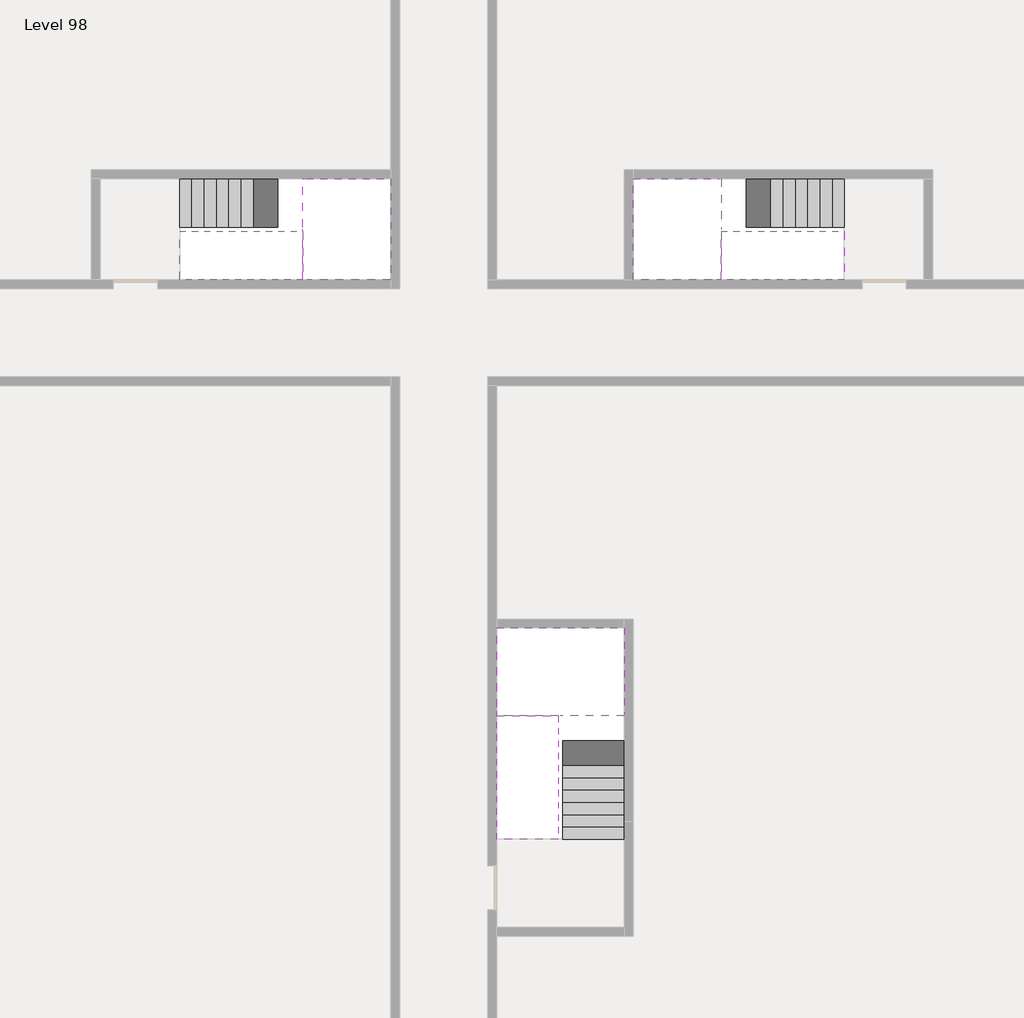
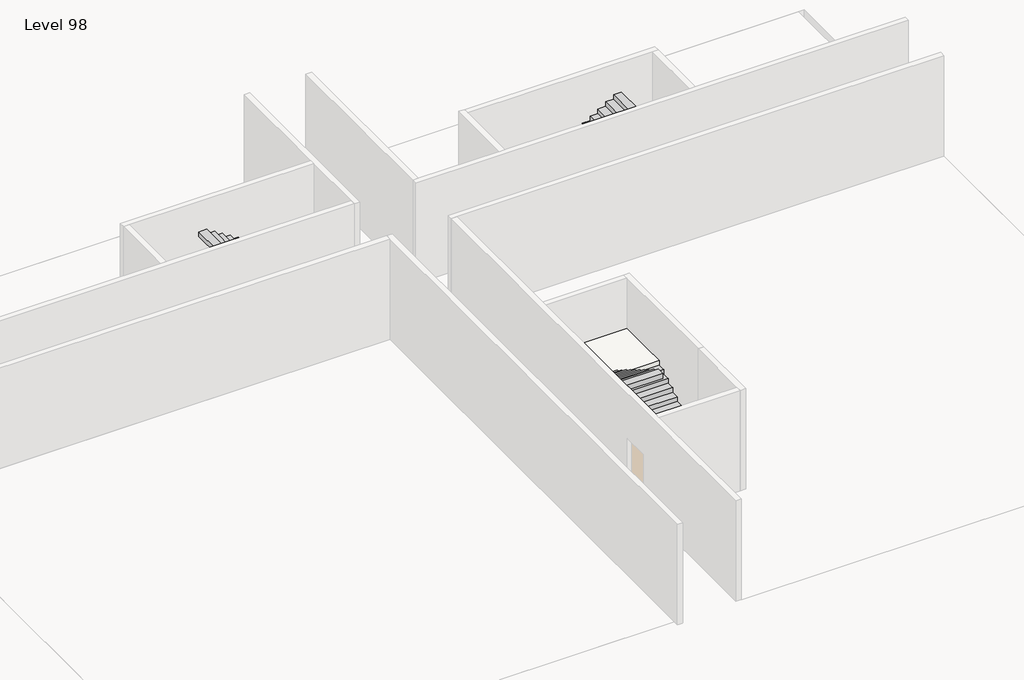
# One storey, part 2 of 2: 6 stair flights, 3 slabs.
"""IFC4 building model written with IfcOpenShell, lengths in millimetres."""

from ifc_helpers import new_model, si_unit, origin, place, context, project, spatial, faceted_brep, element, save

model = new_model("IFC4")

# Units and contexts
model_context = context("Model", 3, world=origin())
ifc_project = project(units=[si_unit("LENGTHUNIT", "METRE", prefix="MILLI")], contexts=[model_context])

# Site, building, storey
site = spatial("IfcSite", under=ifc_project)
building = spatial("IfcBuilding", under=site)
storey = spatial("IfcBuildingStorey", under=building, Name="Level 98", Elevation=368600.0)

# Slabs
placement = place(None, origin())
element("IfcSlab", 1, at=placement, inside=storey, context=model_context, shape_type="Brep", body=[
    faceted_brep([(26890.1058784, -40418.09644, 370500.0), (28290.1058784, -40418.09644, 370500.0), (28290.1058784, -40338.7100038, 370500.0), (28290.1058784, -38418.09644, 370500.0), (25390.1058784, -38418.09644, 370500.0), (25390.1058784, -40217.4828763, 370500.0), (25390.1058784, -40418.09644, 370500.0), (26790.1058784, -40418.09644, 370500.0), (26890.1058784, -40418.09644, 370200.0), (26890.1058784, -40418.09644, 370151.0278478), (28290.1058784, -40418.09644, 370151.0278478), (28290.1058784, -40418.09644, 370327.2727273), (28290.1058784, -40338.7100038, 370200.0), (28290.1058784, -38418.09644, 370200.0), (25390.1058784, -38418.09644, 370200.0), (25390.1058784, -40217.4828763, 370200.0), (25390.1058784, -40418.09644, 370323.7551205), (26790.1058784, -40418.09644, 370323.7551205), (26790.1058784, -40418.09644, 370200.0), (26790.1058784, -40217.4828763, 370200.0), (26890.1058784, -40338.7100038, 370200.0)], [[[0, 1, 2, 3, 4, 5, 6, 7]], [[1, 0, 8, 9, 10, 11]], [[1, 11, 10, 12, 13, 3, 2]], [[4, 3, 13, 14]], [[4, 14, 15, 16, 6, 5]], [[7, 6, 16, 17]], [[0, 7, 17, 18, 8]], [[18, 19, 15, 14, 13, 12, 20, 8]], [[19, 18, 17]], [[20, 12, 10, 9]], [[8, 20, 9]], [[15, 19, 17, 16]]]),
])
element("IfcSlab", 2, at=placement, inside=storey, context=model_context, shape_type="Brep", body=[
    faceted_brep([(20990.1058784, -28218.09644, 370500.0), (20990.1058784, -29318.09644, 370500.0), (20990.1058784, -29418.09644, 370500.0), (20990.1058784, -30518.09644, 370500.0), (21190.7194421, -30518.09644, 370500.0), (22990.1058784, -30518.09644, 370500.0), (22990.1058784, -28218.09644, 370500.0), (21069.4923146, -28218.09644, 370500.0), (20990.1058784, -28218.09644, 370327.2727273), (20990.1058784, -28218.09644, 370151.0278478), (20990.1058784, -29318.09644, 370151.0278478), (20990.1058784, -29318.09644, 370200.0), (20990.1058784, -29418.09644, 370200.0), (20990.1058784, -29418.09644, 370323.7551205), (20990.1058784, -30518.09644, 370323.7551205), (21190.7194421, -30518.09644, 370200.0), (22990.1058784, -30518.09644, 370200.0), (22990.1058784, -28218.09644, 370200.0), (21069.4923146, -28218.09644, 370200.0), (21190.7194421, -29418.09644, 370200.0), (21069.4923146, -29318.09644, 370200.0)], [[[0, 1, 2, 3, 4, 5, 6, 7]], [[1, 0, 8, 9, 10, 11]], [[2, 1, 11, 12, 13]], [[3, 2, 13, 14]], [[3, 14, 15, 16, 5, 4]], [[6, 5, 16, 17]], [[9, 8, 0, 7, 6, 17, 18]], [[19, 12, 11, 20, 18, 17, 16, 15]], [[12, 19, 13]], [[18, 20, 10, 9]], [[20, 11, 10]], [[19, 15, 14, 13]]]),
])
element("IfcSlab", 3, at=placement, inside=storey, context=model_context, shape_type="Brep", body=[
    faceted_brep([(30490.1058784, -29318.09644, 370500.0), (30490.1058784, -28218.09644, 370500.0), (30410.7194421, -28218.09644, 370500.0), (28490.1058784, -28218.09644, 370500.0), (28490.1058784, -30518.09644, 370500.0), (30289.4923146, -30518.09644, 370500.0), (30490.1058784, -30518.09644, 370500.0), (30490.1058784, -29418.09644, 370500.0), (30490.1058784, -29318.09644, 370200.0), (30490.1058784, -29318.09644, 370151.0278478), (30490.1058784, -28218.09644, 370151.0278478), (30490.1058784, -28218.09644, 370327.2727273), (30490.1058784, -29418.09644, 370323.7551205), (30490.1058784, -29418.09644, 370200.0), (30490.1058784, -30518.09644, 370323.7551205), (28490.1058784, -30518.09644, 370200.0), (30289.4923146, -30518.09644, 370200.0), (28490.1058784, -28218.09644, 370200.0), (30410.7194421, -28218.09644, 370200.0), (30289.4923146, -29418.09644, 370200.0), (30410.7194421, -29318.09644, 370200.0)], [[[0, 1, 2, 3, 4, 5, 6, 7]], [[1, 0, 8, 9, 10, 11]], [[0, 7, 12, 13, 8]], [[7, 6, 14, 12]], [[4, 15, 16, 14, 6, 5]], [[4, 3, 17, 15]], [[1, 11, 10, 18, 17, 3, 2]], [[13, 19, 16, 15, 17, 18, 20, 8]], [[20, 18, 10, 9]], [[8, 20, 9]], [[16, 19, 12, 14]], [[19, 13, 12]]]),
])

# Stair flights
element("IfcStairFlight", 4, at=placement, inside=storey, context=model_context, shape_type="Brep", body=[
    faceted_brep([(26890.1058784, -42938.09644, 368772.7272727), (26890.1058784, -43218.09644, 368772.7272727), (28290.1058784, -43218.09644, 368772.7272727), (28290.1058784, -42938.09644, 368772.7272727), (26890.1058784, -42938.09644, 368600.0), (26890.1058784, -43218.09644, 368600.0), (28290.1058784, -43218.09644, 368600.0), (28290.1058784, -42938.09644, 368600.0), (26890.1058784, -42658.09644, 368945.4545455), (26890.1058784, -42938.09644, 368945.4545455), (28290.1058784, -42938.09644, 368945.4545455), (28290.1058784, -42658.09644, 368945.4545455), (26890.1058784, -42658.09644, 368769.209666), (26890.1058784, -42932.3942143, 368600.0), (28290.1058784, -42932.3942143, 368600.0), (28290.1058784, -42658.09644, 368769.209666), (26890.1058784, -42378.09644, 369118.1818182), (26890.1058784, -42658.09644, 369118.1818182), (28290.1058784, -42658.09644, 369118.1818182), (28290.1058784, -42378.09644, 369118.1818182), (26890.1058784, -42378.09644, 368941.9369387), (28290.1058784, -42378.09644, 368941.9369387), (26890.1058784, -42098.09644, 369290.9090909), (26890.1058784, -42378.09644, 369290.9090909), (28290.1058784, -42378.09644, 369290.9090909), (28290.1058784, -42098.09644, 369290.9090909), (26890.1058784, -42098.09644, 369114.6642114), (28290.1058784, -42098.09644, 369114.6642114), (26890.1058784, -41818.09644, 369463.6363636), (26890.1058784, -42098.09644, 369463.6363636), (28290.1058784, -42098.09644, 369463.6363636), (28290.1058784, -41818.09644, 369463.6363636), (26890.1058784, -41818.09644, 369287.3914841), (28290.1058784, -41818.09644, 369287.3914841), (26890.1058784, -41538.09644, 369636.3636364), (26890.1058784, -41818.09644, 369636.3636364), (28290.1058784, -41818.09644, 369636.3636364), (28290.1058784, -41538.09644, 369636.3636364), (26890.1058784, -41538.09644, 369460.1187569), (28290.1058784, -41538.09644, 369460.1187569), (26890.1058784, -41258.09644, 369809.0909091), (26890.1058784, -41538.09644, 369809.0909091), (28290.1058784, -41538.09644, 369809.0909091), (28290.1058784, -41258.09644, 369809.0909091), (26890.1058784, -41258.09644, 369632.8460296), (28290.1058784, -41258.09644, 369632.8460296), (26890.1058784, -40978.09644, 369981.8181818), (26890.1058784, -41258.09644, 369981.8181818), (28290.1058784, -41258.09644, 369981.8181818), (28290.1058784, -40978.09644, 369981.8181818), (26890.1058784, -40978.09644, 369805.5733023), (28290.1058784, -40978.09644, 369805.5733023), (26890.1058784, -40698.09644, 370154.5454545), (26890.1058784, -40978.09644, 370154.5454545), (28290.1058784, -40978.09644, 370154.5454545), (28290.1058784, -40698.09644, 370154.5454545), (26890.1058784, -40698.09644, 369978.3005751), (28290.1058784, -40698.09644, 369978.3005751), (26890.1058784, -40418.09644, 370327.2727273), (26890.1058784, -40698.09644, 370327.2727273), (28290.1058784, -40698.09644, 370327.2727273), (28290.1058784, -40418.09644, 370327.2727273), (26890.1058784, -40418.09644, 370200.0), (26890.1058784, -40418.09644, 370151.0278478), (28290.1058784, -40418.09644, 370151.0278478)], [[[0, 1, 2, 3]], [[1, 0, 4, 5]], [[2, 1, 5, 6]], [[3, 2, 6, 7]], [[8, 9, 10, 11]], [[4, 0, 9, 8, 12, 13]], [[0, 3, 10, 9]], [[3, 7, 14, 15, 11, 10]], [[16, 17, 18, 19]], [[17, 16, 20, 12, 8]], [[8, 11, 18, 17]], [[19, 18, 11, 15, 21]], [[22, 23, 24, 25]], [[23, 22, 26, 20, 16]], [[16, 19, 24, 23]], [[25, 24, 19, 21, 27]], [[28, 29, 30, 31]], [[29, 28, 32, 26, 22]], [[22, 25, 30, 29]], [[31, 30, 25, 27, 33]], [[34, 35, 36, 37]], [[35, 34, 38, 32, 28]], [[28, 31, 36, 35]], [[37, 36, 31, 33, 39]], [[40, 41, 42, 43]], [[41, 40, 44, 38, 34]], [[34, 37, 42, 41]], [[43, 42, 37, 39, 45]], [[46, 47, 48, 49]], [[47, 46, 50, 44, 40]], [[40, 43, 48, 47]], [[49, 48, 43, 45, 51]], [[52, 53, 54, 55]], [[53, 52, 56, 50, 46]], [[46, 49, 54, 53]], [[55, 54, 49, 51, 57]], [[58, 59, 60, 61]], [[59, 58, 62, 63, 56, 52]], [[52, 55, 60, 59]], [[61, 60, 55, 57, 64]], [[58, 61, 64, 63, 62]], [[5, 4, 13, 14, 7, 6]], [[14, 13, 12, 20, 26, 32, 38, 44, 50, 56, 63, 64, 57, 51, 45, 39, 33, 27, 21, 15]]]),
])
element("IfcStairFlight", 5, at=placement, inside=storey, context=model_context, shape_type="Brep", body=[
    faceted_brep([(26790.1058784, -40698.09644, 370672.7272727), (26790.1058784, -40418.09644, 370672.7272727), (25390.1058784, -40418.09644, 370672.7272727), (25390.1058784, -40698.09644, 370672.7272727), (26790.1058784, -40698.09644, 370496.4823932), (26790.1058784, -40418.09644, 370323.7551205), (25390.1058784, -40418.09644, 370323.7551205), (25390.1058784, -40418.09644, 370500.0), (25390.1058784, -40698.09644, 370496.4823932), (26790.1058784, -40978.09644, 370845.4545455), (26790.1058784, -40698.09644, 370845.4545455), (25390.1058784, -40698.09644, 370845.4545455), (25390.1058784, -40978.09644, 370845.4545455), (26790.1058784, -40978.09644, 370669.209666), (25390.1058784, -40978.09644, 370669.209666), (26790.1058784, -41258.09644, 371018.1818182), (26790.1058784, -40978.09644, 371018.1818182), (25390.1058784, -40978.09644, 371018.1818182), (25390.1058784, -41258.09644, 371018.1818182), (26790.1058784, -41258.09644, 370841.9369387), (25390.1058784, -41258.09644, 370841.9369387), (26790.1058784, -41538.09644, 371190.9090909), (26790.1058784, -41258.09644, 371190.9090909), (25390.1058784, -41258.09644, 371190.9090909), (25390.1058784, -41538.09644, 371190.9090909), (26790.1058784, -41538.09644, 371014.6642114), (25390.1058784, -41538.09644, 371014.6642114), (26790.1058784, -41818.09644, 371363.6363636), (26790.1058784, -41538.09644, 371363.6363636), (25390.1058784, -41538.09644, 371363.6363636), (25390.1058784, -41818.09644, 371363.6363636), (26790.1058784, -41818.09644, 371187.3914841), (25390.1058784, -41818.09644, 371187.3914841), (26790.1058784, -42098.09644, 371536.3636364), (26790.1058784, -41818.09644, 371536.3636364), (25390.1058784, -41818.09644, 371536.3636364), (25390.1058784, -42098.09644, 371536.3636364), (26790.1058784, -42098.09644, 371360.1187569), (25390.1058784, -42098.09644, 371360.1187569), (26790.1058784, -42378.09644, 371709.0909091), (26790.1058784, -42098.09644, 371709.0909091), (25390.1058784, -42098.09644, 371709.0909091), (25390.1058784, -42378.09644, 371709.0909091), (26790.1058784, -42378.09644, 371532.8460296), (25390.1058784, -42378.09644, 371532.8460296), (26790.1058784, -42658.09644, 371881.8181818), (26790.1058784, -42378.09644, 371881.8181818), (25390.1058784, -42378.09644, 371881.8181818), (25390.1058784, -42658.09644, 371881.8181818), (26790.1058784, -42658.09644, 371705.5733023), (25390.1058784, -42658.09644, 371705.5733023), (26790.1058784, -42938.09644, 372054.5454545), (26790.1058784, -42658.09644, 372054.5454545), (25390.1058784, -42658.09644, 372054.5454545), (25390.1058784, -42938.09644, 372054.5454545), (26790.1058784, -42938.09644, 371878.3005751), (25390.1058784, -42938.09644, 371878.3005751), (26790.1058784, -43218.09644, 372227.2727273), (26790.1058784, -42938.09644, 372227.2727273), (25390.1058784, -42938.09644, 372227.2727273), (25390.1058784, -43218.09644, 372227.2727273), (26790.1058784, -43218.09644, 372051.0278478), (25390.1058784, -43218.09644, 372051.0278478)], [[[0, 1, 2, 3]], [[1, 0, 4, 5]], [[2, 1, 5, 6, 7]], [[3, 2, 7, 6, 8]], [[9, 10, 11, 12]], [[10, 9, 13, 4, 0]], [[11, 10, 0, 3]], [[12, 11, 3, 8, 14]], [[15, 16, 17, 18]], [[16, 15, 19, 13, 9]], [[17, 16, 9, 12]], [[18, 17, 12, 14, 20]], [[21, 22, 23, 24]], [[22, 21, 25, 19, 15]], [[23, 22, 15, 18]], [[24, 23, 18, 20, 26]], [[27, 28, 29, 30]], [[28, 27, 31, 25, 21]], [[29, 28, 21, 24]], [[30, 29, 24, 26, 32]], [[33, 34, 35, 36]], [[34, 33, 37, 31, 27]], [[35, 34, 27, 30]], [[36, 35, 30, 32, 38]], [[39, 40, 41, 42]], [[40, 39, 43, 37, 33]], [[41, 40, 33, 36]], [[42, 41, 36, 38, 44]], [[45, 46, 47, 48]], [[46, 45, 49, 43, 39]], [[47, 46, 39, 42]], [[48, 47, 42, 44, 50]], [[51, 52, 53, 54]], [[52, 51, 55, 49, 45]], [[53, 52, 45, 48]], [[54, 53, 48, 50, 56]], [[57, 58, 59, 60]], [[58, 57, 61, 55, 51]], [[59, 58, 51, 54]], [[60, 59, 54, 56, 62]], [[57, 60, 62, 61]], [[5, 4, 13, 19, 25, 31, 37, 43, 49, 55, 61, 62, 56, 50, 44, 38, 32, 26, 20, 14, 8, 6]]]),
])
element("IfcStairFlight", 6, at=placement, inside=storey, context=model_context, shape_type="Brep", body=[
    faceted_brep([(18470.1058784, -28218.09644, 368772.7272727), (18190.1058784, -28218.09644, 368772.7272727), (18190.1058784, -29318.09644, 368772.7272727), (18470.1058784, -29318.09644, 368772.7272727), (18470.1058784, -28218.09644, 368600.0), (18190.1058784, -28218.09644, 368600.0), (18190.1058784, -29318.09644, 368600.0), (18470.1058784, -29318.09644, 368600.0), (18750.1058784, -28218.09644, 368945.4545455), (18470.1058784, -28218.09644, 368945.4545455), (18470.1058784, -29318.09644, 368945.4545455), (18750.1058784, -29318.09644, 368945.4545455), (18750.1058784, -28218.09644, 368769.209666), (18475.8081041, -28218.09644, 368600.0), (18475.8081041, -29318.09644, 368600.0), (18750.1058784, -29318.09644, 368769.209666), (19030.1058784, -28218.09644, 369118.1818182), (18750.1058784, -28218.09644, 369118.1818182), (18750.1058784, -29318.09644, 369118.1818182), (19030.1058784, -29318.09644, 369118.1818182), (19030.1058784, -28218.09644, 368941.9369387), (19030.1058784, -29318.09644, 368941.9369387), (19310.1058784, -28218.09644, 369290.9090909), (19030.1058784, -28218.09644, 369290.9090909), (19030.1058784, -29318.09644, 369290.9090909), (19310.1058784, -29318.09644, 369290.9090909), (19310.1058784, -28218.09644, 369114.6642114), (19310.1058784, -29318.09644, 369114.6642114), (19590.1058784, -28218.09644, 369463.6363636), (19310.1058784, -28218.09644, 369463.6363636), (19310.1058784, -29318.09644, 369463.6363636), (19590.1058784, -29318.09644, 369463.6363636), (19590.1058784, -28218.09644, 369287.3914841), (19590.1058784, -29318.09644, 369287.3914841), (19870.1058784, -28218.09644, 369636.3636364), (19590.1058784, -28218.09644, 369636.3636364), (19590.1058784, -29318.09644, 369636.3636364), (19870.1058784, -29318.09644, 369636.3636364), (19870.1058784, -28218.09644, 369460.1187569), (19870.1058784, -29318.09644, 369460.1187569), (20150.1058784, -28218.09644, 369809.0909091), (19870.1058784, -28218.09644, 369809.0909091), (19870.1058784, -29318.09644, 369809.0909091), (20150.1058784, -29318.09644, 369809.0909091), (20150.1058784, -28218.09644, 369632.8460296), (20150.1058784, -29318.09644, 369632.8460296), (20430.1058784, -28218.09644, 369981.8181818), (20150.1058784, -28218.09644, 369981.8181818), (20150.1058784, -29318.09644, 369981.8181818), (20430.1058784, -29318.09644, 369981.8181818), (20430.1058784, -28218.09644, 369805.5733023), (20430.1058784, -29318.09644, 369805.5733023), (20710.1058784, -28218.09644, 370154.5454545), (20430.1058784, -28218.09644, 370154.5454545), (20430.1058784, -29318.09644, 370154.5454545), (20710.1058784, -29318.09644, 370154.5454545), (20710.1058784, -28218.09644, 369978.3005751), (20710.1058784, -29318.09644, 369978.3005751), (20990.1058784, -28218.09644, 370327.2727273), (20710.1058784, -28218.09644, 370327.2727273), (20710.1058784, -29318.09644, 370327.2727273), (20990.1058784, -29318.09644, 370327.2727273), (20990.1058784, -28218.09644, 370151.0278478), (20990.1058784, -29318.09644, 370151.0278478), (20990.1058784, -29318.09644, 370200.0)], [[[0, 1, 2, 3]], [[1, 0, 4, 5]], [[2, 1, 5, 6]], [[3, 2, 6, 7]], [[8, 9, 10, 11]], [[4, 0, 9, 8, 12, 13]], [[0, 3, 10, 9]], [[3, 7, 14, 15, 11, 10]], [[16, 17, 18, 19]], [[17, 16, 20, 12, 8]], [[8, 11, 18, 17]], [[19, 18, 11, 15, 21]], [[22, 23, 24, 25]], [[23, 22, 26, 20, 16]], [[16, 19, 24, 23]], [[25, 24, 19, 21, 27]], [[28, 29, 30, 31]], [[29, 28, 32, 26, 22]], [[22, 25, 30, 29]], [[31, 30, 25, 27, 33]], [[34, 35, 36, 37]], [[35, 34, 38, 32, 28]], [[28, 31, 36, 35]], [[37, 36, 31, 33, 39]], [[40, 41, 42, 43]], [[41, 40, 44, 38, 34]], [[34, 37, 42, 41]], [[43, 42, 37, 39, 45]], [[46, 47, 48, 49]], [[47, 46, 50, 44, 40]], [[40, 43, 48, 47]], [[49, 48, 43, 45, 51]], [[52, 53, 54, 55]], [[53, 52, 56, 50, 46]], [[46, 49, 54, 53]], [[55, 54, 49, 51, 57]], [[58, 59, 60, 61]], [[59, 58, 62, 56, 52]], [[52, 55, 60, 59]], [[61, 60, 55, 57, 63, 64]], [[58, 61, 64, 63, 62]], [[5, 4, 13, 14, 7, 6]], [[14, 13, 12, 20, 26, 32, 38, 44, 50, 56, 62, 63, 57, 51, 45, 39, 33, 27, 21, 15]]]),
])
element("IfcStairFlight", 7, at=placement, inside=storey, context=model_context, shape_type="Brep", body=[
    faceted_brep([(20710.1058784, -30518.09644, 370672.7272727), (20990.1058784, -30518.09644, 370672.7272727), (20990.1058784, -29418.09644, 370672.7272727), (20710.1058784, -29418.09644, 370672.7272727), (20710.1058784, -30518.09644, 370496.4823932), (20990.1058784, -30518.09644, 370323.7551205), (20990.1058784, -30518.09644, 370500.0), (20990.1058784, -29418.09644, 370323.7551205), (20710.1058784, -29418.09644, 370496.4823932), (20430.1058784, -30518.09644, 370845.4545455), (20710.1058784, -30518.09644, 370845.4545455), (20710.1058784, -29418.09644, 370845.4545455), (20430.1058784, -29418.09644, 370845.4545455), (20430.1058784, -30518.09644, 370669.209666), (20430.1058784, -29418.09644, 370669.209666), (20150.1058784, -30518.09644, 371018.1818182), (20430.1058784, -30518.09644, 371018.1818182), (20430.1058784, -29418.09644, 371018.1818182), (20150.1058784, -29418.09644, 371018.1818182), (20150.1058784, -30518.09644, 370841.9369387), (20150.1058784, -29418.09644, 370841.9369387), (19870.1058784, -30518.09644, 371190.9090909), (20150.1058784, -30518.09644, 371190.9090909), (20150.1058784, -29418.09644, 371190.9090909), (19870.1058784, -29418.09644, 371190.9090909), (19870.1058784, -30518.09644, 371014.6642114), (19870.1058784, -29418.09644, 371014.6642114), (19590.1058784, -30518.09644, 371363.6363636), (19870.1058784, -30518.09644, 371363.6363636), (19870.1058784, -29418.09644, 371363.6363636), (19590.1058784, -29418.09644, 371363.6363636), (19590.1058784, -30518.09644, 371187.3914841), (19590.1058784, -29418.09644, 371187.3914841), (19310.1058784, -30518.09644, 371536.3636364), (19590.1058784, -30518.09644, 371536.3636364), (19590.1058784, -29418.09644, 371536.3636364), (19310.1058784, -29418.09644, 371536.3636364), (19310.1058784, -30518.09644, 371360.1187569), (19310.1058784, -29418.09644, 371360.1187569), (19030.1058784, -30518.09644, 371709.0909091), (19310.1058784, -30518.09644, 371709.0909091), (19310.1058784, -29418.09644, 371709.0909091), (19030.1058784, -29418.09644, 371709.0909091), (19030.1058784, -30518.09644, 371532.8460296), (19030.1058784, -29418.09644, 371532.8460296), (18750.1058784, -30518.09644, 371881.8181818), (19030.1058784, -30518.09644, 371881.8181818), (19030.1058784, -29418.09644, 371881.8181818), (18750.1058784, -29418.09644, 371881.8181818), (18750.1058784, -30518.09644, 371705.5733023), (18750.1058784, -29418.09644, 371705.5733023), (18470.1058784, -30518.09644, 372054.5454545), (18750.1058784, -30518.09644, 372054.5454545), (18750.1058784, -29418.09644, 372054.5454545), (18470.1058784, -29418.09644, 372054.5454545), (18470.1058784, -30518.09644, 371878.3005751), (18470.1058784, -29418.09644, 371878.3005751), (18190.1058784, -30518.09644, 372227.2727273), (18470.1058784, -30518.09644, 372227.2727273), (18470.1058784, -29418.09644, 372227.2727273), (18190.1058784, -29418.09644, 372227.2727273), (18190.1058784, -30518.09644, 372051.0278478), (18190.1058784, -29418.09644, 372051.0278478)], [[[0, 1, 2, 3]], [[1, 0, 4, 5, 6]], [[2, 1, 6, 5, 7]], [[3, 2, 7, 8]], [[9, 10, 11, 12]], [[10, 9, 13, 4, 0]], [[11, 10, 0, 3]], [[12, 11, 3, 8, 14]], [[15, 16, 17, 18]], [[16, 15, 19, 13, 9]], [[17, 16, 9, 12]], [[18, 17, 12, 14, 20]], [[21, 22, 23, 24]], [[22, 21, 25, 19, 15]], [[23, 22, 15, 18]], [[24, 23, 18, 20, 26]], [[27, 28, 29, 30]], [[28, 27, 31, 25, 21]], [[29, 28, 21, 24]], [[30, 29, 24, 26, 32]], [[33, 34, 35, 36]], [[34, 33, 37, 31, 27]], [[35, 34, 27, 30]], [[36, 35, 30, 32, 38]], [[39, 40, 41, 42]], [[40, 39, 43, 37, 33]], [[41, 40, 33, 36]], [[42, 41, 36, 38, 44]], [[45, 46, 47, 48]], [[46, 45, 49, 43, 39]], [[47, 46, 39, 42]], [[48, 47, 42, 44, 50]], [[51, 52, 53, 54]], [[52, 51, 55, 49, 45]], [[53, 52, 45, 48]], [[54, 53, 48, 50, 56]], [[57, 58, 59, 60]], [[58, 57, 61, 55, 51]], [[59, 58, 51, 54]], [[60, 59, 54, 56, 62]], [[57, 60, 62, 61]], [[5, 4, 13, 19, 25, 31, 37, 43, 49, 55, 61, 62, 56, 50, 44, 38, 32, 26, 20, 14, 8, 7]]]),
])
element("IfcStairFlight", 8, at=placement, inside=storey, context=model_context, shape_type="Brep", body=[
    faceted_brep([(33010.1058784, -29318.09644, 368772.7272727), (33290.1058784, -29318.09644, 368772.7272727), (33290.1058784, -28218.09644, 368772.7272727), (33010.1058784, -28218.09644, 368772.7272727), (33290.1058784, -28218.09644, 368600.0), (33010.1058784, -28218.09644, 368600.0), (33290.1058784, -29318.09644, 368600.0), (33010.1058784, -29318.09644, 368600.0), (32730.1058784, -29318.09644, 368945.4545455), (33010.1058784, -29318.09644, 368945.4545455), (33010.1058784, -28218.09644, 368945.4545455), (32730.1058784, -28218.09644, 368945.4545455), (33004.4036527, -28218.09644, 368600.0), (32730.1058784, -28218.09644, 368769.209666), (32730.1058784, -29318.09644, 368769.209666), (33004.4036527, -29318.09644, 368600.0), (32450.1058784, -29318.09644, 369118.1818182), (32730.1058784, -29318.09644, 369118.1818182), (32730.1058784, -28218.09644, 369118.1818182), (32450.1058784, -28218.09644, 369118.1818182), (32450.1058784, -28218.09644, 368941.9369387), (32450.1058784, -29318.09644, 368941.9369387), (32170.1058784, -29318.09644, 369290.9090909), (32450.1058784, -29318.09644, 369290.9090909), (32450.1058784, -28218.09644, 369290.9090909), (32170.1058784, -28218.09644, 369290.9090909), (32170.1058784, -28218.09644, 369114.6642114), (32170.1058784, -29318.09644, 369114.6642114), (31890.1058784, -29318.09644, 369463.6363636), (32170.1058784, -29318.09644, 369463.6363636), (32170.1058784, -28218.09644, 369463.6363636), (31890.1058784, -28218.09644, 369463.6363636), (31890.1058784, -28218.09644, 369287.3914841), (31890.1058784, -29318.09644, 369287.3914841), (31610.1058784, -29318.09644, 369636.3636364), (31890.1058784, -29318.09644, 369636.3636364), (31890.1058784, -28218.09644, 369636.3636364), (31610.1058784, -28218.09644, 369636.3636364), (31610.1058784, -28218.09644, 369460.1187569), (31610.1058784, -29318.09644, 369460.1187569), (31330.1058784, -29318.09644, 369809.0909091), (31610.1058784, -29318.09644, 369809.0909091), (31610.1058784, -28218.09644, 369809.0909091), (31330.1058784, -28218.09644, 369809.0909091), (31330.1058784, -28218.09644, 369632.8460296), (31330.1058784, -29318.09644, 369632.8460296), (31050.1058784, -29318.09644, 369981.8181818), (31330.1058784, -29318.09644, 369981.8181818), (31330.1058784, -28218.09644, 369981.8181818), (31050.1058784, -28218.09644, 369981.8181818), (31050.1058784, -28218.09644, 369805.5733023), (31050.1058784, -29318.09644, 369805.5733023), (30770.1058784, -29318.09644, 370154.5454545), (31050.1058784, -29318.09644, 370154.5454545), (31050.1058784, -28218.09644, 370154.5454545), (30770.1058784, -28218.09644, 370154.5454545), (30770.1058784, -28218.09644, 369978.3005751), (30770.1058784, -29318.09644, 369978.3005751), (30490.1058784, -29318.09644, 370327.2727273), (30770.1058784, -29318.09644, 370327.2727273), (30770.1058784, -28218.09644, 370327.2727273), (30490.1058784, -28218.09644, 370327.2727273), (30490.1058784, -28218.09644, 370151.0278478), (30490.1058784, -29318.09644, 370200.0), (30490.1058784, -29318.09644, 370151.0278478)], [[[0, 1, 2, 3]], [[3, 2, 4, 5]], [[2, 1, 6, 4]], [[1, 0, 7, 6]], [[8, 9, 10, 11]], [[3, 5, 12, 13, 11, 10]], [[0, 3, 10, 9]], [[7, 0, 9, 8, 14, 15]], [[16, 17, 18, 19]], [[19, 18, 11, 13, 20]], [[8, 11, 18, 17]], [[17, 16, 21, 14, 8]], [[22, 23, 24, 25]], [[25, 24, 19, 20, 26]], [[16, 19, 24, 23]], [[23, 22, 27, 21, 16]], [[28, 29, 30, 31]], [[31, 30, 25, 26, 32]], [[22, 25, 30, 29]], [[29, 28, 33, 27, 22]], [[34, 35, 36, 37]], [[37, 36, 31, 32, 38]], [[28, 31, 36, 35]], [[35, 34, 39, 33, 28]], [[40, 41, 42, 43]], [[43, 42, 37, 38, 44]], [[34, 37, 42, 41]], [[41, 40, 45, 39, 34]], [[46, 47, 48, 49]], [[49, 48, 43, 44, 50]], [[40, 43, 48, 47]], [[47, 46, 51, 45, 40]], [[52, 53, 54, 55]], [[55, 54, 49, 50, 56]], [[46, 49, 54, 53]], [[53, 52, 57, 51, 46]], [[58, 59, 60, 61]], [[61, 60, 55, 56, 62]], [[52, 55, 60, 59]], [[59, 58, 63, 64, 57, 52]], [[58, 61, 62, 64, 63]], [[6, 7, 15, 12, 5, 4]], [[12, 15, 14, 21, 27, 33, 39, 45, 51, 57, 64, 62, 56, 50, 44, 38, 32, 26, 20, 13]]]),
])
element("IfcStairFlight", 9, at=placement, inside=storey, context=model_context, shape_type="Brep", body=[
    faceted_brep([(30770.1058784, -29418.09644, 370672.7272727), (30490.1058784, -29418.09644, 370672.7272727), (30490.1058784, -30518.09644, 370672.7272727), (30770.1058784, -30518.09644, 370672.7272727), (30490.1058784, -30518.09644, 370500.0), (30490.1058784, -30518.09644, 370323.7551205), (30770.1058784, -30518.09644, 370496.4823932), (30490.1058784, -29418.09644, 370323.7551205), (30770.1058784, -29418.09644, 370496.4823932), (31050.1058784, -29418.09644, 370845.4545455), (30770.1058784, -29418.09644, 370845.4545455), (30770.1058784, -30518.09644, 370845.4545455), (31050.1058784, -30518.09644, 370845.4545455), (31050.1058784, -30518.09644, 370669.209666), (31050.1058784, -29418.09644, 370669.209666), (31330.1058784, -29418.09644, 371018.1818182), (31050.1058784, -29418.09644, 371018.1818182), (31050.1058784, -30518.09644, 371018.1818182), (31330.1058784, -30518.09644, 371018.1818182), (31330.1058784, -30518.09644, 370841.9369387), (31330.1058784, -29418.09644, 370841.9369387), (31610.1058784, -29418.09644, 371190.9090909), (31330.1058784, -29418.09644, 371190.9090909), (31330.1058784, -30518.09644, 371190.9090909), (31610.1058784, -30518.09644, 371190.9090909), (31610.1058784, -30518.09644, 371014.6642114), (31610.1058784, -29418.09644, 371014.6642114), (31890.1058784, -29418.09644, 371363.6363636), (31610.1058784, -29418.09644, 371363.6363636), (31610.1058784, -30518.09644, 371363.6363636), (31890.1058784, -30518.09644, 371363.6363636), (31890.1058784, -30518.09644, 371187.3914841), (31890.1058784, -29418.09644, 371187.3914841), (32170.1058784, -29418.09644, 371536.3636364), (31890.1058784, -29418.09644, 371536.3636364), (31890.1058784, -30518.09644, 371536.3636364), (32170.1058784, -30518.09644, 371536.3636364), (32170.1058784, -30518.09644, 371360.1187569), (32170.1058784, -29418.09644, 371360.1187569), (32450.1058784, -29418.09644, 371709.0909091), (32170.1058784, -29418.09644, 371709.0909091), (32170.1058784, -30518.09644, 371709.0909091), (32450.1058784, -30518.09644, 371709.0909091), (32450.1058784, -30518.09644, 371532.8460296), (32450.1058784, -29418.09644, 371532.8460296), (32730.1058784, -29418.09644, 371881.8181818), (32450.1058784, -29418.09644, 371881.8181818), (32450.1058784, -30518.09644, 371881.8181818), (32730.1058784, -30518.09644, 371881.8181818), (32730.1058784, -30518.09644, 371705.5733023), (32730.1058784, -29418.09644, 371705.5733023), (33010.1058784, -29418.09644, 372054.5454545), (32730.1058784, -29418.09644, 372054.5454545), (32730.1058784, -30518.09644, 372054.5454545), (33010.1058784, -30518.09644, 372054.5454545), (33010.1058784, -30518.09644, 371878.3005751), (33010.1058784, -29418.09644, 371878.3005751), (33290.1058784, -29418.09644, 372227.2727273), (33010.1058784, -29418.09644, 372227.2727273), (33010.1058784, -30518.09644, 372227.2727273), (33290.1058784, -30518.09644, 372227.2727273), (33290.1058784, -30518.09644, 372051.0278478), (33290.1058784, -29418.09644, 372051.0278478)], [[[0, 1, 2, 3]], [[3, 2, 4, 5, 6]], [[2, 1, 7, 5, 4]], [[1, 0, 8, 7]], [[9, 10, 11, 12]], [[12, 11, 3, 6, 13]], [[11, 10, 0, 3]], [[10, 9, 14, 8, 0]], [[15, 16, 17, 18]], [[18, 17, 12, 13, 19]], [[17, 16, 9, 12]], [[16, 15, 20, 14, 9]], [[21, 22, 23, 24]], [[24, 23, 18, 19, 25]], [[23, 22, 15, 18]], [[22, 21, 26, 20, 15]], [[27, 28, 29, 30]], [[30, 29, 24, 25, 31]], [[29, 28, 21, 24]], [[28, 27, 32, 26, 21]], [[33, 34, 35, 36]], [[36, 35, 30, 31, 37]], [[35, 34, 27, 30]], [[34, 33, 38, 32, 27]], [[39, 40, 41, 42]], [[42, 41, 36, 37, 43]], [[41, 40, 33, 36]], [[40, 39, 44, 38, 33]], [[45, 46, 47, 48]], [[48, 47, 42, 43, 49]], [[47, 46, 39, 42]], [[46, 45, 50, 44, 39]], [[51, 52, 53, 54]], [[54, 53, 48, 49, 55]], [[53, 52, 45, 48]], [[52, 51, 56, 50, 45]], [[57, 58, 59, 60]], [[60, 59, 54, 55, 61]], [[59, 58, 51, 54]], [[58, 57, 62, 56, 51]], [[57, 60, 61, 62]], [[7, 8, 14, 20, 26, 32, 38, 44, 50, 56, 62, 61, 55, 49, 43, 37, 31, 25, 19, 13, 6, 5]]]),
])

save(model, "model.ifc")
